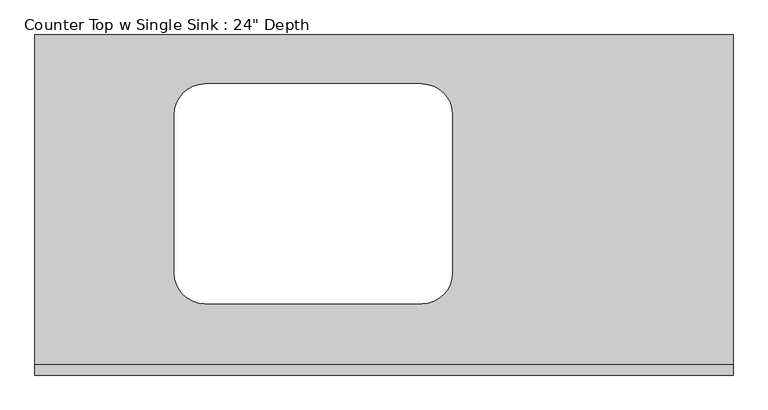
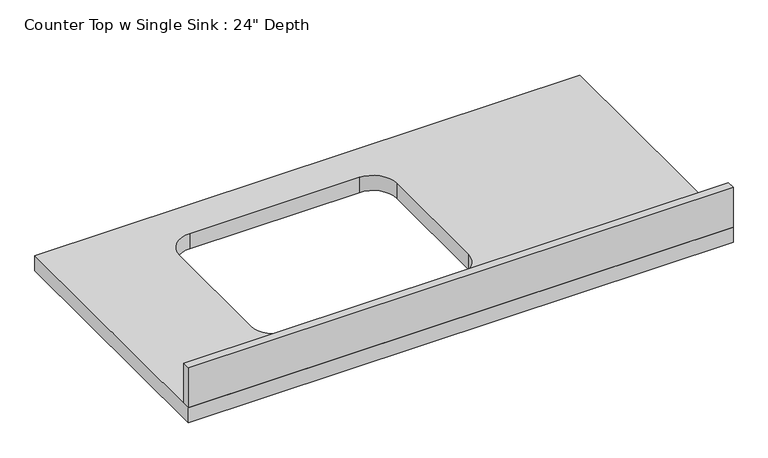
"""IFC4 building model written with IfcOpenShell, lengths in millimetres: furniture geometry."""

from ifc_helpers import new_model, si_unit, point, frame, frame_2d, origin, place, context, project, spatial, polyline, circle_curve, trimmed, segment, composite_curve, outline, extrude, source, transform, mapped, element, save


def furniture_e4a21386(model_context):
    return source(origin(), model_context, "Body", "SweptSolid", [
        extrude(outline(polyline([(103.0514521, 0.0), (-1200.4622951, 0.0), (-1200.4622951, 635.0), (103.0514521, 635.0), (103.0514521, 0.0)]), holes=[composite_curve([segment(polyline([(-940.1122951, 486.2327941), (-940.1122951, 190.5)]), True, "CONTINUOUS"), segment(trimmed(circle_curve(frame_2d((-882.9622951, 190.5)), 57.15), [point((-940.1122951, 190.5))], [point((-882.9622951, 133.35))], True, "CARTESIAN"), True, "CONTINUOUS"), segment(polyline([(-882.9622951, 133.35), (-478.0597587, 133.35)]), True, "CONTINUOUS"), segment(trimmed(circle_curve(frame_2d((-478.0597587, 190.5)), 57.15), [point((-478.0597587, 133.35))], [point((-420.9097587, 190.5))], True, "CARTESIAN"), True, "CONTINUOUS"), segment(polyline([(-420.9097587, 190.5), (-420.9097587, 486.2327941)]), True, "CONTINUOUS"), segment(trimmed(circle_curve(frame_2d((-478.0597587, 486.2327941)), 57.15), [point((-420.9097587, 486.2327941))], [point((-478.0597587, 543.3827941))], True, "CARTESIAN"), True, "CONTINUOUS"), segment(polyline([(-478.0597587, 543.3827941), (-882.9622951, 543.3827941)]), True, "CONTINUOUS"), segment(trimmed(circle_curve(frame_2d((-882.9622951, 486.2327941)), 57.15), [point((-882.9622951, 543.3827941))], [point((-940.1122951, 486.2327941))], True, "CARTESIAN"), True, "CONTINUOUS")], self_intersect=False)]), frame((0.0, 0.0, 876.3), z_axis=(0.0, 0.0, 1.0), x_axis=(1.0, 0.0, 0.0)), (0.0, 0.0, 1.0), 38.1),
        extrude(outline(polyline([(-1200.4622951, 0.0), (-1200.4622951, 19.05), (103.0514521, 19.05), (103.0514521, 0.0), (-1200.4622951, 0.0)])), frame((0.0, 0.0, 914.4), z_axis=(0.0, 0.0, 1.0), x_axis=(1.0, 0.0, 0.0)), (0.0, 0.0, 1.0), 101.6),
    ])


if __name__ == "__main__":
    model = new_model("IFC4")
    model_context = context("Model", 3, world=origin())
    ifc_project = project(units=[si_unit("LENGTHUNIT", "METRE", prefix="MILLI")], contexts=[model_context])
    site = spatial("IfcSite", under=ifc_project)
    building = spatial("IfcBuilding", under=site)
    placement = place(None, origin())
    furniture_shape = furniture_e4a21386(model_context)
    element("IfcFurniture", 1, ObjectType="Counter Top w Single Sink : 24\" Depth", at=placement, inside=building, context=model_context, shape_type="MappedRepresentation", body=[
        mapped(furniture_shape, transform((0.0, 0.0, 0.0), x_axis=(1.0, 0.0, 0.0), y_axis=(0.0, 1.0, 0.0), z_axis=(0.0, 0.0, 1.0))),
    ])
    save(model, "model.ifc")
